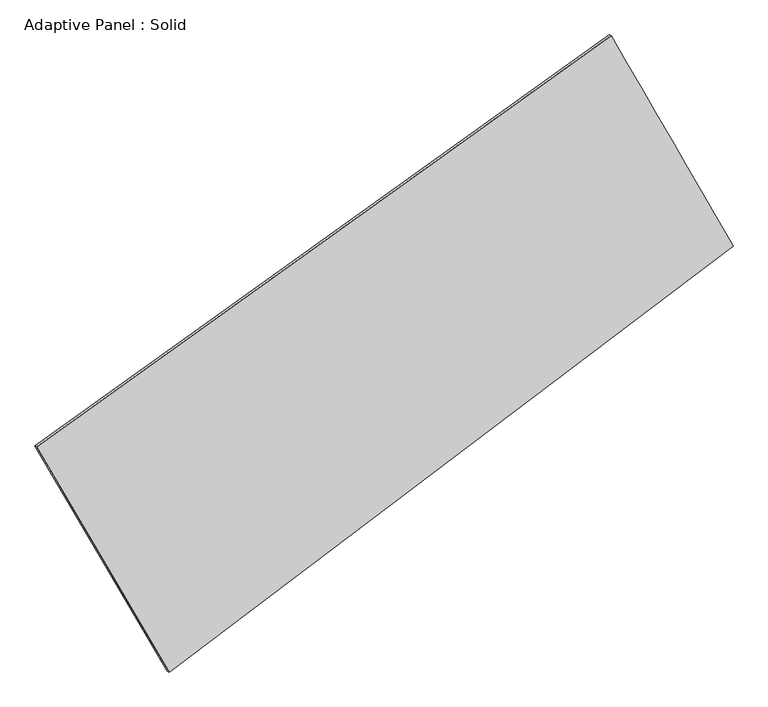
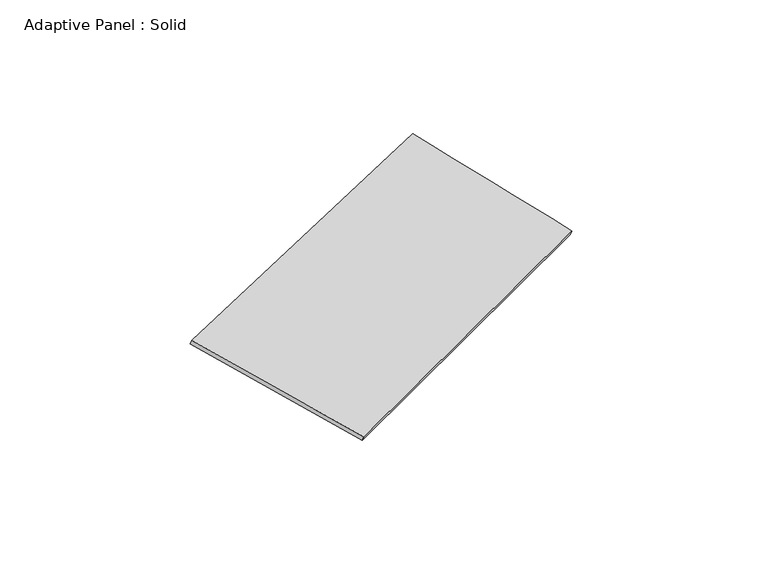
"""IFC4 building model written with IfcOpenShell, lengths in millimetres: plate geometry, Adaptive Panel : Solid."""

import ifcopenshell
import ifcopenshell.guid

model = None  # the IFC model being written
_history = None  # IfcOwnerHistory: only IFC2X3 demands one
_inside = {}  # id of a spatial element -> (the spatial element, [elements in it])
_under = {}  # id of a project, library or spatial element -> (it, [spatial elements below it])
_declared = {}  # id of a project -> (the project, [libraries it declares])
_typed = {}  # id of a type object -> (the type object, [elements of that type])
_made_of = {}  # id of a material, layer set ... -> (it, [elements and type objects made of it])


def new_model(schema):
    """Start an empty IFC model of exactly this schema.

    Asked for "IFC4X3", IfcOpenShell would pick the latest addendum, in which some entities
    have other attributes; the version numbers below select the first issue.
    IFC2X3 requires an IfcOwnerHistory on every rooted entity: one is made here for all.
    """
    global model, _history
    if schema == "IFC4X3":
        model = ifcopenshell.file(schema_version=(4, 3, 0, 0))
    else:
        model = ifcopenshell.file(schema=schema)
    _inside.clear()
    _under.clear()
    _declared.clear()
    _typed.clear()
    _made_of.clear()
    _history = None
    if model.schema == "IFC2X3":
        org = make("IfcOrganization", Name="unknown")
        user = make(
            "IfcPersonAndOrganization",
            ThePerson=make("IfcPerson", FamilyName="unknown"),
            TheOrganization=org,
        )
        app = make(
            "IfcApplication",
            ApplicationDeveloper=org,
            Version="unknown",
            ApplicationFullName="unknown",
            ApplicationIdentifier="unknown",
        )
        _history = make(
            "IfcOwnerHistory",
            OwningUser=user,
            OwningApplication=app,
            ChangeAction="ADDED",
            CreationDate=0,
        )
    return model


def make(cls, **values):
    """One entity of the class cls with the attributes given. An attribute that is None is left unset."""
    return model.create_entity(
        cls, **{name: value for name, value in values.items() if value is not None}
    )


def rooted(cls, **values):
    """An entity with a GlobalId (a new one), such as an element, a storey or a relation."""
    return make(cls, GlobalId=ifcopenshell.guid.new(), OwnerHistory=_history, **values)


def si_unit(unit_type, name, prefix=None):
    """IfcSIUnit, for example si_unit("LENGTHUNIT", "METRE", prefix="MILLI")."""
    return make("IfcSIUnit", UnitType=unit_type, Prefix=prefix, Name=name)


def assignment(units):
    """IfcUnitAssignment: the units of a project."""
    return None if units is None else make("IfcUnitAssignment", Units=units)


def point(xyz):
    """IfcCartesianPoint."""
    return None if xyz is None else make("IfcCartesianPoint", Coordinates=xyz)


def direction(xyz):
    """IfcDirection."""
    return None if xyz is None else make("IfcDirection", DirectionRatios=xyz)


def frame(location, z_axis=None, x_axis=None):
    """IfcAxis2Placement3D, a coordinate frame: its origin and axes. An axis left out is left unset."""
    return make(
        "IfcAxis2Placement3D",
        Location=point(location),
        Axis=direction(z_axis),
        RefDirection=direction(x_axis),
    )


def origin():
    """The frame at (0, 0, 0) with its axes left unset."""
    return frame((0.0, 0.0, 0.0))


def place(relative_to, where):
    """IfcLocalPlacement: puts the frame where relative to a parent placement (None: the world)."""
    return make(
        "IfcLocalPlacement", PlacementRelTo=relative_to, RelativePlacement=where
    )


def context(
    kind, dimensions, precision=None, world=None, true_north=None, identifier=None
):
    """IfcGeometricRepresentationContext, for example the 3D "Model" context."""
    return make(
        "IfcGeometricRepresentationContext",
        ContextIdentifier=identifier,
        ContextType=kind,
        CoordinateSpaceDimension=dimensions,
        Precision=precision,
        WorldCoordinateSystem=world,
        TrueNorth=true_north,
    )


def project(units=None, contexts=None):
    """IfcProject with its units and contexts."""
    return rooted(
        "IfcProject",
        Name="project",
        RepresentationContexts=contexts,
        UnitsInContext=assignment(units),
    )


def spatial(cls, under=None, at=None, **own):
    """A site, building, storey or space (cls), placed at a placement, below another one or the project."""
    s = rooted(cls, ObjectPlacement=at, **own)
    if under is not None:
        _under.setdefault(under.id(), (under, []))[1].append(s)
    return s


def shape(context_of_items, identifier, shape_type, items):
    """IfcShapeRepresentation: the items that make up one representation, for example the "Body"."""
    return make(
        "IfcShapeRepresentation",
        ContextOfItems=context_of_items,
        RepresentationIdentifier=identifier,
        RepresentationType=shape_type,
        Items=items,
    )


def source(mapping_origin, context_of_items, identifier, shape_type, items):
    """IfcRepresentationMap: a shape defined once, which mapped items show again and again."""
    return make(
        "IfcRepresentationMap",
        MappingOrigin=mapping_origin,
        MappedRepresentation=shape(context_of_items, identifier, shape_type, items),
    )


def transform(
    local_origin,
    x_axis=None,
    y_axis=None,
    z_axis=None,
    scale=None,
    scale2=None,
    scale3=None,
    uniform=True,
):
    """IfcCartesianTransformationOperator3D, or its non-uniform kind. x_axis, y_axis, z_axis: its Axis1, 2, 3."""
    if uniform:
        return make(
            "IfcCartesianTransformationOperator3D",
            Axis1=direction(x_axis),
            Axis2=direction(y_axis),
            LocalOrigin=point(local_origin),
            Scale=scale,
            Axis3=direction(z_axis),
        )
    return make(
        "IfcCartesianTransformationOperator3DnonUniform",
        Axis1=direction(x_axis),
        Axis2=direction(y_axis),
        LocalOrigin=point(local_origin),
        Scale=scale,
        Axis3=direction(z_axis),
        Scale2=scale2,
        Scale3=scale3,
    )


def mapped(mapping_source, mapping_target):
    """IfcMappedItem: shows the shape of a source again, moved by a transform."""
    return make(
        "IfcMappedItem", MappingSource=mapping_source, MappingTarget=mapping_target
    )


def made_of(thing, what):
    """Note that an element or type object is made of a material, layer set ...; save() writes the relation."""
    if what is not None:
        _made_of.setdefault(what.id(), (what, []))[1].append(thing)
    return thing


def element(
    cls,
    number,
    at=None,
    inside=None,
    cuts=None,
    type_object=None,
    material=None,
    context=None,
    identifier="Body",
    shape_type=None,
    held_by="IfcProductDefinitionShape",
    body=None,
    shapes=None,
    **own,
):
    """One element of the class cls, such as IfcWall. Its Tag is "e" and its number.

    at: its placement. inside: the storey or other place that contains it. cuts: it is an
    opening in that element (IfcRelVoidsElement). A single representation is given by context,
    identifier, shape_type and body (its items); several are given by shapes. held_by: the class
    of the entity that holds the representations. save() writes the other relations.
    """
    e = rooted(cls, Tag="e%d" % number, ObjectPlacement=at, **own)
    if body is not None:
        shapes = [shape(context, identifier, shape_type, body)]
    if shapes is not None:
        e.Representation = make(held_by, Representations=shapes)
    if inside is not None:
        _inside.setdefault(inside.id(), (inside, []))[1].append(e)
    if cuts is not None:
        rooted(
            "IfcRelVoidsElement", RelatingBuildingElement=cuts, RelatedOpeningElement=e
        )
    if type_object is not None:
        _typed.setdefault(type_object.id(), (type_object, []))[1].append(e)
    return made_of(e, material)


def aggregate(whole, parts):
    """IfcRelAggregates: a whole, such as a stair, and the parts it consists of."""
    return rooted("IfcRelAggregates", RelatingObject=whole, RelatedObjects=parts)


def save(model, path):
    """Write the relations noted so far, then the file.

    IfcRelAggregates (storeys below a building ...), IfcRelContainedInSpatialStructure (elements
    in a storey), IfcRelDefinesByType, IfcRelAssociatesMaterial and IfcRelDeclares: one each for
    every whole, place, type object, material and project.
    """
    for whole, parts in _under.values():
        aggregate(whole, parts)
    for where, things in _inside.values():
        rooted(
            "IfcRelContainedInSpatialStructure",
            RelatedElements=things,
            RelatingStructure=where,
        )
    for kind, things in _typed.values():
        rooted("IfcRelDefinesByType", RelatedObjects=things, RelatingType=kind)
    for what, things in _made_of.values():
        rooted("IfcRelAssociatesMaterial", RelatedObjects=things, RelatingMaterial=what)
    for by, libraries in _declared.values():
        rooted("IfcRelDeclares", RelatingContext=by, RelatedDefinitions=libraries)
    model.write(path)


def plane_surface(at):
    """IfcPlane: the flat surface through the origin of the frame at, square to its z axis."""
    return make("IfcPlane", Position=at)


def spline_surface(u_degree, v_degree, points, u_multiplicities, v_multiplicities, u_knots, v_knots, weights=None):
    """IfcBSplineSurfaceWithKnots; with weights, IfcRationalBSplineSurfaceWithKnots. points: one row for each step in u."""
    own = dict(
        UDegree=u_degree,
        VDegree=v_degree,
        ControlPointsList=[[point(p) for p in row] for row in points],
        SurfaceForm="UNSPECIFIED",
        UClosed=False,
        VClosed=False,
        SelfIntersect=False,
        UMultiplicities=u_multiplicities,
        VMultiplicities=v_multiplicities,
        UKnots=u_knots,
        VKnots=v_knots,
        KnotSpec="UNSPECIFIED",
    )
    if weights is None:
        return make("IfcBSplineSurfaceWithKnots", **own)
    return make("IfcRationalBSplineSurfaceWithKnots", WeightsData=weights, **own)


def advanced_brep(points, edges, surfaces, faces):
    """IfcAdvancedBrep: a solid bounded by faces that lie on surfaces and meet in shared edges.

    An edge is (start, end): straight between two places in points (the first is 0);
    or (start, end, curve); or (start, end, curve, False) where it runs against its curve.
    A face is (place in surfaces, loops), or (place, loops, False) where it looks against
    its surface's normal. A loop lists edges by number (the first is 1), with a minus sign
    where the edge is run from its end to its start. The first loop is the outer one.
    """
    corners = [point(p) for p in points]
    vertices = [make("IfcVertexPoint", VertexGeometry=c) for c in corners]
    made = []
    for start, end, *more in edges:
        made.append(
            make(
                "IfcEdgeCurve",
                EdgeStart=vertices[start],
                EdgeEnd=vertices[end],
                EdgeGeometry=more[0] if more else make("IfcPolyline", Points=[corners[start], corners[end]]),
                SameSense=more[1] if len(more) > 1 else True,
            )
        )
    hull = []
    for where, loops, *sense in faces:
        bounds = []
        for j, loop in enumerate(loops):
            ring = [make("IfcOrientedEdge", EdgeElement=made[abs(k) - 1], Orientation=k > 0) for k in loop]
            bounds.append(
                make(
                    "IfcFaceOuterBound" if j == 0 else "IfcFaceBound",
                    Bound=make("IfcEdgeLoop", EdgeList=ring),
                    Orientation=True,
                )
            )
        hull.append(make("IfcAdvancedFace", Bounds=bounds, FaceSurface=surfaces[where], SameSense=sense[0] if sense else True))
    return make("IfcAdvancedBrep", Outer=make("IfcClosedShell", CfsFaces=hull))


def adaptive_panel_solid_f2a8615e(model_context):
    return source(origin(), model_context, "Body", "AdvancedBrep", [
        advanced_brep(
        [(1190.1479672, 2489.8014621, 676.2128149), (-3537.5933128, -896.4854804, 1633.1592675), (-3522.926957, -902.8655739, 1680.5321755), (1204.814323, 2483.4213686, 723.585723), (-2448.7470493, -2750.673783, 1095.492243), (-2434.0806934, -2757.0538765, 1142.865151), (2192.9018167, 757.1092285, 80.2581948), (2207.5681726, 750.729135, 127.6311028)],
        [
            (0, 1),
            (1, 2),
            (2, 3),
            (3, 0),
            (1, 4),
            (4, 5),
            (5, 2),
            (4, 6),
            (6, 7),
            (7, 5),
            (6, 0),
            (3, 7),
        ],
        [
            plane_surface(frame((-1173.7226728, 796.6579908, 1154.6860412), z_axis=(-0.5236820746045839, 0.8076920295911112, 0.27090712444088744), x_axis=(-0.8021856814140507, -0.5745726632643477, 0.16237114018072807))),
            plane_surface(frame((-2993.170181, -1823.5796317, 1364.3257552), z_axis=(-0.8237359559148718, -0.5367172183368634, 0.18273943874750254), x_axis=(0.49125507463034096, -0.8365546574075502, -0.24257938251152852))),
            plane_surface(frame((-127.9226163, -996.7822772, 587.8752189), z_axis=(0.5408176139912301, -0.7950838318812822, -0.2745141320183906), x_axis=(0.7859286784290024, 0.5939413656785905, -0.17190045537663018))),
            plane_surface(frame((1691.524892, 1623.4553453, 378.2355049), z_axis=(0.8225850985017876, 0.538690071989184, -0.18211744030458016), x_axis=(-0.4800723905382328, 0.8295332927752758, 0.2853156427893768))),
            spline_surface(1, 1, [[(-3522.926957, -902.8655739, 1680.5321755), (1204.814323, 2483.4213686, 723.585723)], [(-2434.0806934, -2757.0538765, 1142.865151), (2207.5681726, 750.729135, 127.6311028)]], [2, 2], [2, 2], [0.0, 1.0], [0.0, 1.0]),
            spline_surface(1, 1, [[(2192.9018167, 757.1092285, 80.2581948), (1190.1479672, 2489.8014621, 676.2128149)], [(-2448.7470493, -2750.673783, 1095.492243), (-3537.5933128, -896.4854804, 1633.1592675)]], [2, 2], [2, 2], [0.0, 1.0], [0.0, 1.0]),
        ],
        [
            (0, [[1, 2, 3, 4]]),
            (1, [[5, 6, 7, -2]]),
            (2, [[8, 9, 10, -6]]),
            (3, [[11, -4, 12, -9]]),
            (4, [[-3, -7, -10, -12]]),
            (5, [[-11, -8, -5, -1]]),
        ],
    ),
    ])


if __name__ == "__main__":
    model = new_model("IFC4")
    model_context = context("Model", 3, world=origin())
    ifc_project = project(units=[si_unit("LENGTHUNIT", "METRE", prefix="MILLI")], contexts=[model_context])
    site = spatial("IfcSite", under=ifc_project)
    building = spatial("IfcBuilding", under=site)
    placement = place(None, origin())
    adaptive_panel_solid_shape = adaptive_panel_solid_f2a8615e(model_context)
    element("IfcPlate", 1, ObjectType="Adaptive Panel : Solid", at=placement, inside=building, context=model_context, shape_type="MappedRepresentation", body=[
        mapped(adaptive_panel_solid_shape, transform((0.0, 0.0, 0.0), x_axis=(1.0, 0.0, 0.0), y_axis=(0.0, 1.0, 0.0), z_axis=(0.0, 0.0, 1.0))),
    ])
    save(model, "model.ifc")
